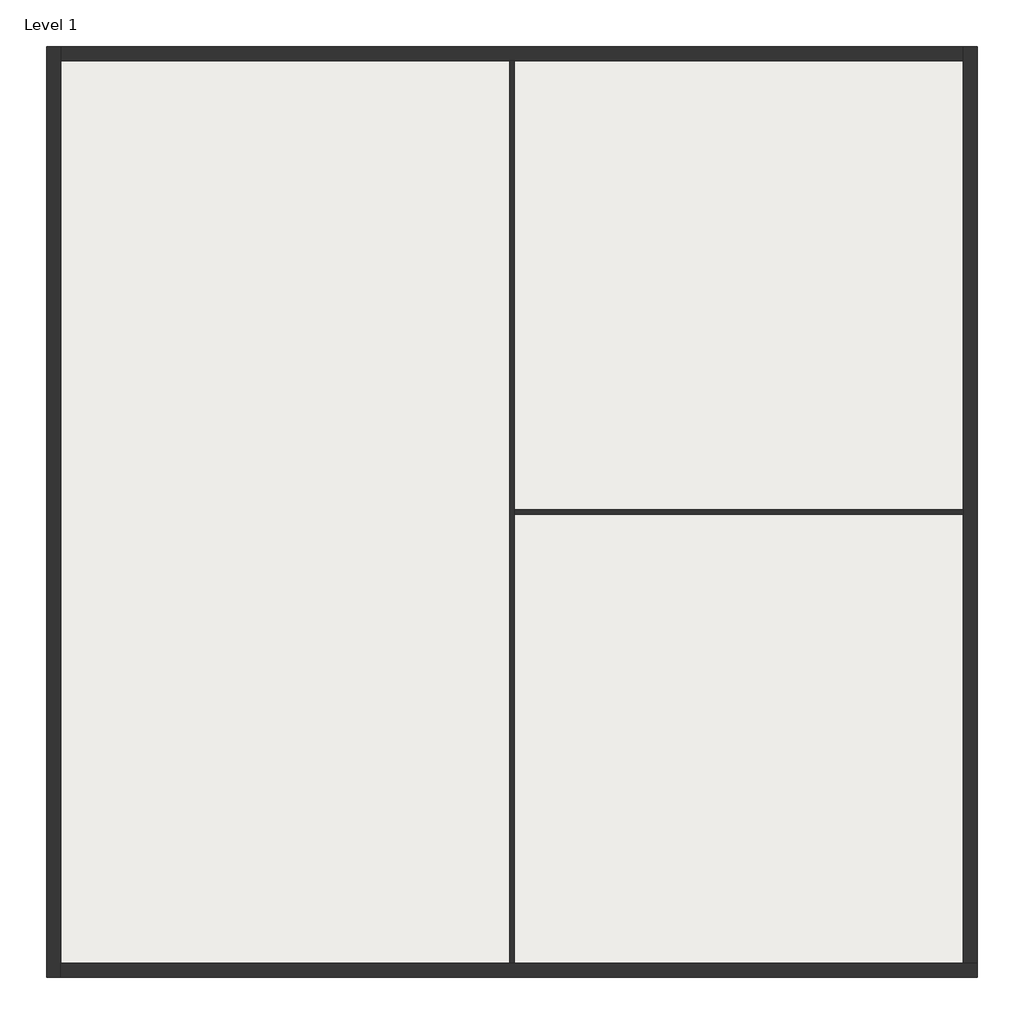
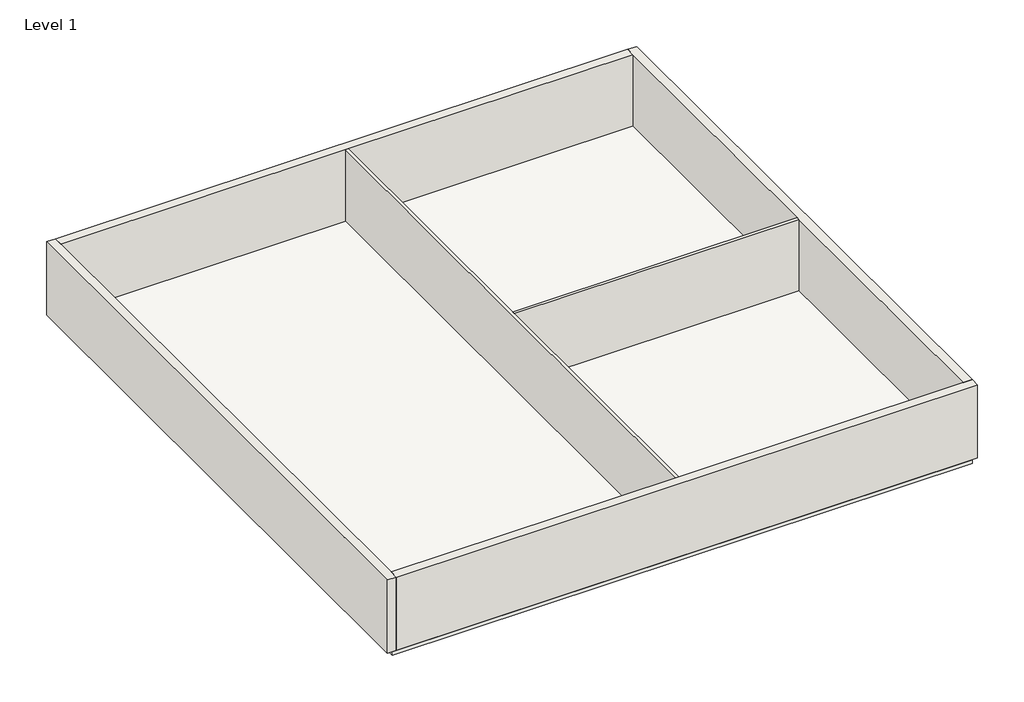
# One storey: 6 walls, 4 slabs.
"""IFC4 building model written with IfcOpenShell, lengths in millimetres."""

from ifc_helpers import new_model, si_unit, frame, origin, origin_with_axes, place, context, project, spatial, polyline, outline, extrude, faceted_brep, element, save

model = new_model("IFC4")

# Units and contexts
model_context = context("Model", 3, world=origin())
ifc_project = project(units=[si_unit("LENGTHUNIT", "METRE", prefix="MILLI")], contexts=[model_context])

# Site, building, storey
site = spatial("IfcSite", under=ifc_project)
building = spatial("IfcBuilding", under=site)
storey = spatial("IfcBuildingStorey", under=building, Name="Level 1", Elevation=0.0)

# Slabs
placement = place(None, origin())
element("IfcSlab", 1, ObjectType="Concrete", at=placement, inside=storey, context=model_context, shape_type="SweptSolid", body=[
    extrude(outline(polyline([(15095.9100418, 16499.8897931), (15095.9100418, -13700.8384187), (-14844.2917342, -13700.8384187), (-14844.2917342, 16499.8897931), (15095.9100418, 16499.8897931)])), frame((0.0, 0.0, -200.0), z_axis=(0.0, 0.0, 1.0), x_axis=(1.0, 0.0, 0.0)), (0.0, 0.0, 1.0), 200.0),
])
element("IfcSlab", 2, ObjectType="Laminated Parquet Flooring", at=placement, inside=storey, context=model_context, shape_type="SweptSolid", body=[
    extrude(outline(polyline([(87.7082658, 16299.1615813), (87.7082658, -13240.8384187), (-14644.2917342, -13240.8384187), (-14644.2917342, 16299.1615813), (87.7082658, 16299.1615813)])), origin_with_axes(), (0.0, 0.0, 1.0), 100.0),
])
element("IfcSlab", 3, ObjectType="Laminated Parquet Flooring", at=placement, inside=storey, context=model_context, shape_type="SweptSolid", body=[
    extrude(outline(polyline([(14895.7082658, -13240.8384187), (179.7082658, -13240.8384187), (179.7082658, 1491.1615813), (14895.7082658, 1491.1615813), (14895.7082658, -13240.8384187)])), origin_with_axes(), (0.0, 0.0, 1.0), 100.0),
])
element("IfcSlab", 4, ObjectType="Laminated Parquet Flooring", at=placement, inside=storey, context=model_context, shape_type="SweptSolid", body=[
    extrude(outline(polyline([(179.7082658, 1583.1615813), (179.7082658, 16299.1615813), (14895.7082658, 16299.1615813), (14895.7082658, 1583.1615813), (179.7082658, 1583.1615813)])), origin_with_axes(), (0.0, 0.0, 1.0), 100.0),
])

# Walls
element("IfcWall", 5, ObjectType="Exterior - Block on Mtl. Stud", at=placement, inside=storey, context=model_context, shape_type="Brep", body=[
    faceted_brep([(-15104.2917342, 16759.1615813, 0.0), (-15104.2917342, -13700.8384187, 0.0), (-15104.2917342, -13700.8384187, 4000.0), (-15104.2917342, 16759.1615813, 4000.0), (-14644.2917342, 16759.1615813, 0.0), (-14644.2917342, 16759.1615813, 4000.0), (-14644.2917342, 16299.1615813, 4000.0), (-14644.2917342, -13240.8384187, 4000.0), (-14644.2917342, -13700.8384187, 4000.0), (-14644.2917342, -13700.8384187, 0.0), (-14644.2917342, -13240.8384187, 0.0), (-14644.2917342, 16299.1615813, 0.0)], [[[0, 1, 2, 3]], [[4, 5, 6, 7, 8, 9, 10, 11]], [[1, 0, 4, 11, 10, 9]], [[3, 2, 8, 7, 6, 5]], [[2, 1, 9, 8]], [[0, 3, 5, 4]]]),
])
element("IfcWall", 6, ObjectType="Exterior - Block on Mtl. Stud", at=placement, inside=storey, context=model_context, shape_type="Brep", body=[
    faceted_brep([(-14644.2917342, -13700.8384187, 0.0), (15355.7082658, -13700.8384187, 0.0), (15355.7082658, -13700.8384187, 4000.0), (-14644.2917342, -13700.8384187, 4000.0), (-14644.2917342, -13240.8384187, 0.0), (-14644.2917342, -13240.8384187, 4000.0), (55.7082658, -13240.8384187, 4000.0), (195.7082658, -13240.8384187, 4000.0), (14895.7082658, -13240.8384187, 4000.0), (15355.7082658, -13240.8384187, 4000.0), (15355.7082658, -13240.8384187, 0.0), (14895.7082658, -13240.8384187, 0.0), (195.7082658, -13240.8384187, 0.0), (55.7082658, -13240.8384187, 0.0)], [[[0, 1, 2, 3]], [[4, 5, 6, 7, 8, 9, 10, 11, 12, 13]], [[1, 0, 4, 13, 12, 11, 10]], [[3, 2, 9, 8, 7, 6, 5]], [[0, 3, 5, 4]], [[2, 1, 10, 9]]]),
])
element("IfcWall", 7, ObjectType="Exterior - Block on Mtl. Stud", at=placement, inside=storey, context=model_context, shape_type="Brep", body=[
    faceted_brep([(15355.7082658, -13240.8384187, 0.0), (15355.7082658, 16759.1615813, 0.0), (15355.7082658, 16759.1615813, 4000.0), (15355.7082658, -13240.8384187, 4000.0), (14895.7082658, -13240.8384187, 0.0), (14895.7082658, -13240.8384187, 4000.0), (14895.7082658, 1459.1615813, 4000.0), (14895.7082658, 1599.1615813, 4000.0), (14895.7082658, 16299.1615813, 4000.0), (14895.7082658, 16759.1615813, 4000.0), (14895.7082658, 16759.1615813, 0.0), (14895.7082658, 16299.1615813, 0.0), (14895.7082658, 1599.1615813, 0.0), (14895.7082658, 1459.1615813, 0.0)], [[[0, 1, 2, 3]], [[4, 5, 6, 7, 8, 9, 10, 11, 12, 13]], [[1, 0, 4, 13, 12, 11, 10]], [[3, 2, 9, 8, 7, 6, 5]], [[0, 3, 5, 4]], [[2, 1, 10, 9]]]),
])
element("IfcWall", 8, ObjectType="Exterior - Block on Mtl. Stud", at=placement, inside=storey, context=model_context, shape_type="Brep", body=[
    faceted_brep([(14895.7082658, 16759.1615813, 0.0), (-14644.2917342, 16759.1615813, 0.0), (-14644.2917342, 16759.1615813, 4000.0), (14895.7082658, 16759.1615813, 4000.0), (14895.7082658, 16299.1615813, 0.0), (14895.7082658, 16299.1615813, 4000.0), (195.7082658, 16299.1615813, 4000.0), (55.7082658, 16299.1615813, 4000.0), (-14644.2917342, 16299.1615813, 4000.0), (-14644.2917342, 16299.1615813, 0.0), (55.7082658, 16299.1615813, 0.0), (195.7082658, 16299.1615813, 0.0)], [[[0, 1, 2, 3]], [[4, 5, 6, 7, 8, 9, 10, 11]], [[1, 0, 4, 11, 10, 9]], [[3, 2, 8, 7, 6, 5]], [[2, 1, 9, 8]], [[0, 3, 5, 4]]]),
])
element("IfcWall", 9, ObjectType="Interior - 138mm Partition (1-hr)", at=placement, inside=storey, context=model_context, shape_type="Brep", body=[
    faceted_brep([(55.7082658, 16299.1615813, 0.0), (55.7082658, -13240.8384187, 0.0), (55.7082658, -13240.8384187, 4000.0), (55.7082658, 16299.1615813, 4000.0), (195.7082658, 16299.1615813, 0.0), (195.7082658, 16299.1615813, 4000.0), (195.7082658, 1599.1615813, 4000.0), (195.7082658, 1459.1615813, 4000.0), (195.7082658, -13240.8384187, 4000.0), (195.7082658, -13240.8384187, 0.0), (195.7082658, 1459.1615813, 0.0), (195.7082658, 1599.1615813, 0.0)], [[[0, 1, 2, 3]], [[4, 5, 6, 7, 8, 9, 10, 11]], [[1, 0, 4, 11, 10, 9]], [[3, 2, 8, 7, 6, 5]], [[2, 1, 9, 8]], [[0, 3, 5, 4]]]),
])
element("IfcWall", 10, ObjectType="Interior - 138mm Partition (1-hr)", at=placement, inside=storey, context=model_context, shape_type="SweptSolid", body=[
    extrude(outline(polyline([(14895.7082658, 1459.1615813), (195.7082658, 1459.1615813), (195.7082658, 1599.1615813), (14895.7082658, 1599.1615813), (14895.7082658, 1459.1615813)])), origin_with_axes(), (0.0, 0.0, 1.0), 4000.0),
])

save(model, "model.ifc")
